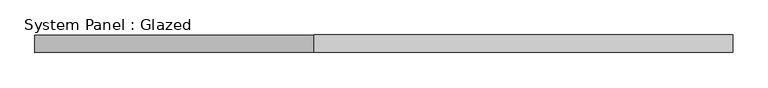
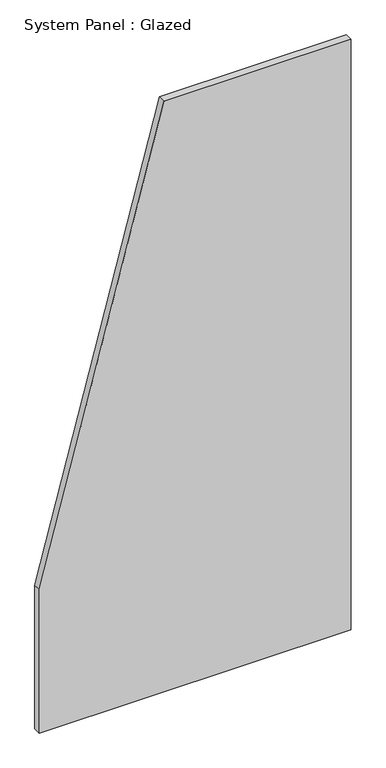
"""IFC4 building model written with IfcOpenShell, lengths in millimetres: plate geometry, System Panel : Glazed."""

from ifc_helpers import new_model, si_unit, frame, origin, place, context, project, spatial, polyline, outline, extrude, source, transform, mapped, element, save


def system_panel_glazed_ab78f703(model_context):
    return source(origin(), model_context, "Body", "SweptSolid", [
        extrude(outline(polyline([(0.0, -500.0), (0.0, 500.0), (2000.0, 500.0), (2000.0, -100.0000003), (486.4864876, -500.0), (0.0, -500.0)])), frame((0.0, 24.5, 0.0), z_axis=(0.0, 1.0, 0.0), x_axis=(0.0, 0.0, 1.0)), (0.0, 0.0, 1.0), 25.0),
    ])


if __name__ == "__main__":
    model = new_model("IFC4")
    model_context = context("Model", 3, world=origin())
    ifc_project = project(units=[si_unit("LENGTHUNIT", "METRE", prefix="MILLI")], contexts=[model_context])
    site = spatial("IfcSite", under=ifc_project)
    building = spatial("IfcBuilding", under=site)
    placement = place(None, origin())
    system_panel_glazed_shape = system_panel_glazed_ab78f703(model_context)
    element("IfcPlate", 1, ObjectType="System Panel : Glazed", at=placement, inside=building, context=model_context, shape_type="MappedRepresentation", body=[
        mapped(system_panel_glazed_shape, transform((0.0, 0.0, 0.0), x_axis=(1.0, 0.0, 0.0), y_axis=(0.0, 1.0, 0.0), z_axis=(0.0, 0.0, 1.0))),
    ])
    save(model, "model.ifc")
